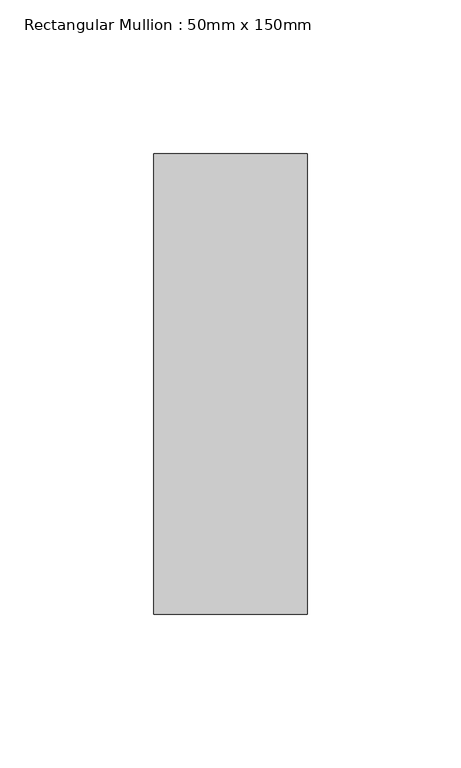
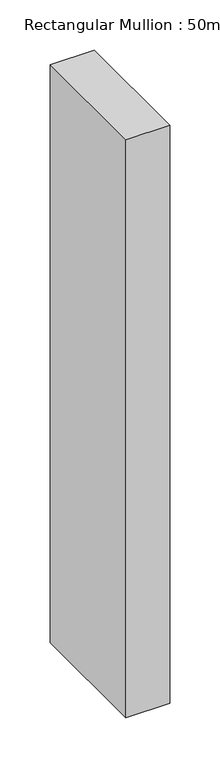
"""IFC4 building model written with IfcOpenShell, lengths in millimetres: member geometry, Rectangular Mullion : 50mm x 150mm."""

from ifc_helpers import new_model, si_unit, frame, origin, place, context, project, spatial, polyline, outline, extrude, source, transform, mapped, element, save


def rectangular_mullion_50mm_x_150mm_205d2b36(model_context):
    return source(origin(), model_context, "Body", "SweptSolid", [
        extrude(outline(polyline([(0.0, 75.0), (0.0, -75.0), (-50.0, -75.0), (-50.0, 75.0), (0.0, 75.0)])), frame((0.0, 0.0, -700.0), z_axis=(0.0, 0.0, 1.0), x_axis=(1.0, 0.0, 0.0)), (0.0, 0.0, 1.0), 700.0),
    ])


if __name__ == "__main__":
    model = new_model("IFC4")
    model_context = context("Model", 3, world=origin())
    ifc_project = project(units=[si_unit("LENGTHUNIT", "METRE", prefix="MILLI")], contexts=[model_context])
    site = spatial("IfcSite", under=ifc_project)
    building = spatial("IfcBuilding", under=site)
    placement = place(None, origin())
    rectangular_mullion_50mm_x_150mm_shape = rectangular_mullion_50mm_x_150mm_205d2b36(model_context)
    element("IfcMember", 1, ObjectType="Rectangular Mullion : 50mm x 150mm", at=placement, inside=building, context=model_context, shape_type="MappedRepresentation", body=[
        mapped(rectangular_mullion_50mm_x_150mm_shape, transform((0.0, 0.0, 0.0), x_axis=(1.0, 0.0, 0.0), y_axis=(0.0, 1.0, 0.0), z_axis=(0.0, 0.0, 1.0))),
    ])
    save(model, "model.ifc")
